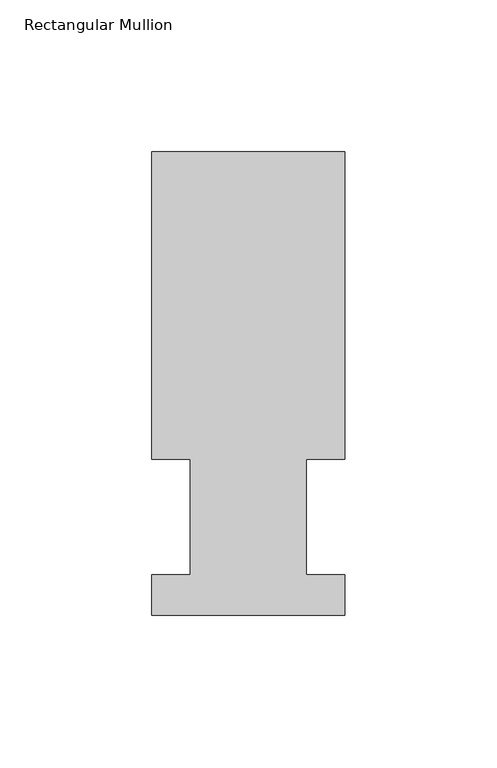
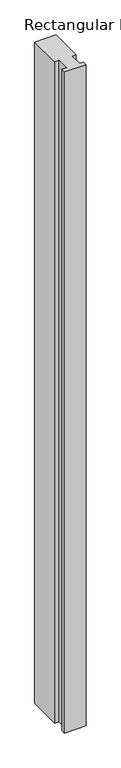
"""IFC4 building model written with IfcOpenShell, lengths in millimetres: member geometry, Rectangular Mullion."""

import ifcopenshell
import ifcopenshell.guid

model = None  # the IFC model being written
_history = None  # IfcOwnerHistory: only IFC2X3 demands one
_inside = {}  # id of a spatial element -> (the spatial element, [elements in it])
_under = {}  # id of a project, library or spatial element -> (it, [spatial elements below it])
_declared = {}  # id of a project -> (the project, [libraries it declares])
_typed = {}  # id of a type object -> (the type object, [elements of that type])
_made_of = {}  # id of a material, layer set ... -> (it, [elements and type objects made of it])


def new_model(schema):
    """Start an empty IFC model of exactly this schema.

    Asked for "IFC4X3", IfcOpenShell would pick the latest addendum, in which some entities
    have other attributes; the version numbers below select the first issue.
    IFC2X3 requires an IfcOwnerHistory on every rooted entity: one is made here for all.
    """
    global model, _history
    if schema == "IFC4X3":
        model = ifcopenshell.file(schema_version=(4, 3, 0, 0))
    else:
        model = ifcopenshell.file(schema=schema)
    _inside.clear()
    _under.clear()
    _declared.clear()
    _typed.clear()
    _made_of.clear()
    _history = None
    if model.schema == "IFC2X3":
        org = make("IfcOrganization", Name="unknown")
        user = make(
            "IfcPersonAndOrganization",
            ThePerson=make("IfcPerson", FamilyName="unknown"),
            TheOrganization=org,
        )
        app = make(
            "IfcApplication",
            ApplicationDeveloper=org,
            Version="unknown",
            ApplicationFullName="unknown",
            ApplicationIdentifier="unknown",
        )
        _history = make(
            "IfcOwnerHistory",
            OwningUser=user,
            OwningApplication=app,
            ChangeAction="ADDED",
            CreationDate=0,
        )
    return model


def make(cls, **values):
    """One entity of the class cls with the attributes given. An attribute that is None is left unset."""
    return model.create_entity(
        cls, **{name: value for name, value in values.items() if value is not None}
    )


def rooted(cls, **values):
    """An entity with a GlobalId (a new one), such as an element, a storey or a relation."""
    return make(cls, GlobalId=ifcopenshell.guid.new(), OwnerHistory=_history, **values)


def si_unit(unit_type, name, prefix=None):
    """IfcSIUnit, for example si_unit("LENGTHUNIT", "METRE", prefix="MILLI")."""
    return make("IfcSIUnit", UnitType=unit_type, Prefix=prefix, Name=name)


def assignment(units):
    """IfcUnitAssignment: the units of a project."""
    return None if units is None else make("IfcUnitAssignment", Units=units)


def point(xyz):
    """IfcCartesianPoint."""
    return None if xyz is None else make("IfcCartesianPoint", Coordinates=xyz)


def direction(xyz):
    """IfcDirection."""
    return None if xyz is None else make("IfcDirection", DirectionRatios=xyz)


def frame(location, z_axis=None, x_axis=None):
    """IfcAxis2Placement3D, a coordinate frame: its origin and axes. An axis left out is left unset."""
    return make(
        "IfcAxis2Placement3D",
        Location=point(location),
        Axis=direction(z_axis),
        RefDirection=direction(x_axis),
    )


def origin():
    """The frame at (0, 0, 0) with its axes left unset."""
    return frame((0.0, 0.0, 0.0))


def place(relative_to, where):
    """IfcLocalPlacement: puts the frame where relative to a parent placement (None: the world)."""
    return make(
        "IfcLocalPlacement", PlacementRelTo=relative_to, RelativePlacement=where
    )


def context(
    kind, dimensions, precision=None, world=None, true_north=None, identifier=None
):
    """IfcGeometricRepresentationContext, for example the 3D "Model" context."""
    return make(
        "IfcGeometricRepresentationContext",
        ContextIdentifier=identifier,
        ContextType=kind,
        CoordinateSpaceDimension=dimensions,
        Precision=precision,
        WorldCoordinateSystem=world,
        TrueNorth=true_north,
    )


def project(units=None, contexts=None):
    """IfcProject with its units and contexts."""
    return rooted(
        "IfcProject",
        Name="project",
        RepresentationContexts=contexts,
        UnitsInContext=assignment(units),
    )


def spatial(cls, under=None, at=None, **own):
    """A site, building, storey or space (cls), placed at a placement, below another one or the project."""
    s = rooted(cls, ObjectPlacement=at, **own)
    if under is not None:
        _under.setdefault(under.id(), (under, []))[1].append(s)
    return s


def polyline(points):
    """IfcPolyline through the points."""
    return make("IfcPolyline", Points=[point(p) for p in points])


def outline(outer, holes=None, kind="AREA"):
    """IfcArbitraryClosedProfileDef: a profile drawn as a closed curve; with holes, ...WithVoids."""
    if holes is None:
        return make("IfcArbitraryClosedProfileDef", ProfileType=kind, OuterCurve=outer)
    return make(
        "IfcArbitraryProfileDefWithVoids",
        ProfileType=kind,
        OuterCurve=outer,
        InnerCurves=holes,
    )


def extrude(swept, where, along, depth):
    """IfcExtrudedAreaSolid: the profile swept, set in the frame where, extruded along a direction by depth."""
    return make(
        "IfcExtrudedAreaSolid",
        SweptArea=swept,
        Position=where,
        ExtrudedDirection=direction(along),
        Depth=depth,
    )


def shape(context_of_items, identifier, shape_type, items):
    """IfcShapeRepresentation: the items that make up one representation, for example the "Body"."""
    return make(
        "IfcShapeRepresentation",
        ContextOfItems=context_of_items,
        RepresentationIdentifier=identifier,
        RepresentationType=shape_type,
        Items=items,
    )


def source(mapping_origin, context_of_items, identifier, shape_type, items):
    """IfcRepresentationMap: a shape defined once, which mapped items show again and again."""
    return make(
        "IfcRepresentationMap",
        MappingOrigin=mapping_origin,
        MappedRepresentation=shape(context_of_items, identifier, shape_type, items),
    )


def transform(
    local_origin,
    x_axis=None,
    y_axis=None,
    z_axis=None,
    scale=None,
    scale2=None,
    scale3=None,
    uniform=True,
):
    """IfcCartesianTransformationOperator3D, or its non-uniform kind. x_axis, y_axis, z_axis: its Axis1, 2, 3."""
    if uniform:
        return make(
            "IfcCartesianTransformationOperator3D",
            Axis1=direction(x_axis),
            Axis2=direction(y_axis),
            LocalOrigin=point(local_origin),
            Scale=scale,
            Axis3=direction(z_axis),
        )
    return make(
        "IfcCartesianTransformationOperator3DnonUniform",
        Axis1=direction(x_axis),
        Axis2=direction(y_axis),
        LocalOrigin=point(local_origin),
        Scale=scale,
        Axis3=direction(z_axis),
        Scale2=scale2,
        Scale3=scale3,
    )


def mapped(mapping_source, mapping_target):
    """IfcMappedItem: shows the shape of a source again, moved by a transform."""
    return make(
        "IfcMappedItem", MappingSource=mapping_source, MappingTarget=mapping_target
    )


def made_of(thing, what):
    """Note that an element or type object is made of a material, layer set ...; save() writes the relation."""
    if what is not None:
        _made_of.setdefault(what.id(), (what, []))[1].append(thing)
    return thing


def element(
    cls,
    number,
    at=None,
    inside=None,
    cuts=None,
    type_object=None,
    material=None,
    context=None,
    identifier="Body",
    shape_type=None,
    held_by="IfcProductDefinitionShape",
    body=None,
    shapes=None,
    **own,
):
    """One element of the class cls, such as IfcWall. Its Tag is "e" and its number.

    at: its placement. inside: the storey or other place that contains it. cuts: it is an
    opening in that element (IfcRelVoidsElement). A single representation is given by context,
    identifier, shape_type and body (its items); several are given by shapes. held_by: the class
    of the entity that holds the representations. save() writes the other relations.
    """
    e = rooted(cls, Tag="e%d" % number, ObjectPlacement=at, **own)
    if body is not None:
        shapes = [shape(context, identifier, shape_type, body)]
    if shapes is not None:
        e.Representation = make(held_by, Representations=shapes)
    if inside is not None:
        _inside.setdefault(inside.id(), (inside, []))[1].append(e)
    if cuts is not None:
        rooted(
            "IfcRelVoidsElement", RelatingBuildingElement=cuts, RelatedOpeningElement=e
        )
    if type_object is not None:
        _typed.setdefault(type_object.id(), (type_object, []))[1].append(e)
    return made_of(e, material)


def aggregate(whole, parts):
    """IfcRelAggregates: a whole, such as a stair, and the parts it consists of."""
    return rooted("IfcRelAggregates", RelatingObject=whole, RelatedObjects=parts)


def save(model, path):
    """Write the relations noted so far, then the file.

    IfcRelAggregates (storeys below a building ...), IfcRelContainedInSpatialStructure (elements
    in a storey), IfcRelDefinesByType, IfcRelAssociatesMaterial and IfcRelDeclares: one each for
    every whole, place, type object, material and project.
    """
    for whole, parts in _under.values():
        aggregate(whole, parts)
    for where, things in _inside.values():
        rooted(
            "IfcRelContainedInSpatialStructure",
            RelatedElements=things,
            RelatingStructure=where,
        )
    for kind, things in _typed.values():
        rooted("IfcRelDefinesByType", RelatedObjects=things, RelatingType=kind)
    for what, things in _made_of.values():
        rooted("IfcRelAssociatesMaterial", RelatedObjects=things, RelatingMaterial=what)
    for by, libraries in _declared.values():
        rooted("IfcRelDeclares", RelatingContext=by, RelatedDefinitions=libraries)
    model.write(path)


def rectangular_mullion_d7a6ecba(model_context):
    return source(origin(), model_context, "Body", "SweptSolid", [
        extrude(outline(polyline([(31.75, 152.4896938), (31.75, 51.2960938), (19.0499996, 51.2960937), (19.0499996, 13.1960938), (31.75, 13.1960938), (31.75, 0.0134938), (-31.75, 0.0134938), (-31.75, 13.1960938), (-19.0499996, 13.1960938), (-19.0499996, 51.2960938), (-31.7499996, 51.2960937), (-31.7499996, 152.4896938), (31.75, 152.4896938)])), frame((0.0, 0.0, -2057.4), z_axis=(0.0, 0.0, 1.0), x_axis=(1.0, 0.0, 0.0)), (0.0, 0.0, 1.0), 2057.4),
    ])


if __name__ == "__main__":
    model = new_model("IFC4")
    model_context = context("Model", 3, world=origin())
    ifc_project = project(units=[si_unit("LENGTHUNIT", "METRE", prefix="MILLI")], contexts=[model_context])
    site = spatial("IfcSite", under=ifc_project)
    building = spatial("IfcBuilding", under=site)
    placement = place(None, origin())
    rectangular_mullion_shape = rectangular_mullion_d7a6ecba(model_context)
    element("IfcMember", 1, ObjectType="Rectangular Mullion", at=placement, inside=building, context=model_context, shape_type="MappedRepresentation", body=[
        mapped(rectangular_mullion_shape, transform((0.0, 0.0, 0.0), x_axis=(1.0, 0.0, 0.0), y_axis=(0.0, 1.0, 0.0), z_axis=(0.0, 0.0, 1.0))),
    ])
    save(model, "model.ifc")
